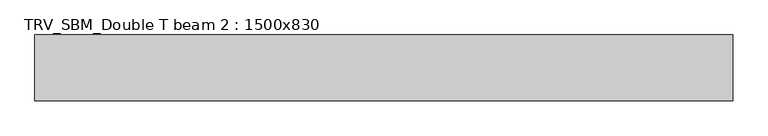
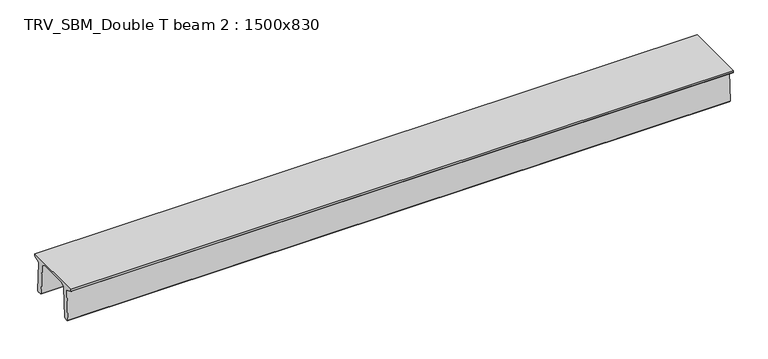
"""IFC4 building model written with IfcOpenShell, lengths in millimetres: beam geometry, TRV_SBM_Double T beam 2 : 1500x830."""

from ifc_helpers import new_model, si_unit, frame, origin, place, context, project, spatial, polyline, outline, extrude, source, transform, mapped, element, save


def trv_sbm_double_t_beam_2_1500x830_0d4c0fae(model_context):
    return source(origin(), model_context, "Body", "SweptSolid", [
        extrude(outline(polyline([(337.4555014, 470.0), (-343.4555014, 470.0), (-456.5828437, 409.8491251), (-494.786332, -340.5206011), (-514.2657308, -360.0), (-604.2657308, -360.0), (-624.8277662, -339.4379646), (-586.9373878, 401.9654693), (-752.8511046, 468.9989621), (-753.0, 475.0), (-753.0, 520.0), (747.0, 520.0), (747.0, 475.0), (746.8511046, 468.9989621), (580.9373878, 401.9654693), (618.8277662, -339.4379646), (598.2657308, -360.0), (508.2657308, -360.0), (488.786332, -340.5206011), (450.5828437, 409.8491251), (337.4555014, 470.0)])), frame((-7964.5, 0.0, 0.0), z_axis=(1.0, 0.0, 0.0), x_axis=(0.0, 1.0, 0.0)), (0.0, 0.0, 1.0), 15929.0),
    ])


if __name__ == "__main__":
    model = new_model("IFC4")
    model_context = context("Model", 3, world=origin())
    ifc_project = project(units=[si_unit("LENGTHUNIT", "METRE", prefix="MILLI")], contexts=[model_context])
    site = spatial("IfcSite", under=ifc_project)
    building = spatial("IfcBuilding", under=site)
    placement = place(None, origin())
    trv_sbm_double_t_beam_2_1500x830_shape = trv_sbm_double_t_beam_2_1500x830_0d4c0fae(model_context)
    element("IfcBeam", 1, ObjectType="TRV_SBM_Double T beam 2 : 1500x830", at=placement, inside=building, context=model_context, shape_type="MappedRepresentation", body=[
        mapped(trv_sbm_double_t_beam_2_1500x830_shape, transform((0.0, 0.0, 0.0), x_axis=(1.0, 0.0, 0.0), y_axis=(0.0, 1.0, 0.0), z_axis=(0.0, 0.0, 1.0))),
    ])
    save(model, "model.ifc")
